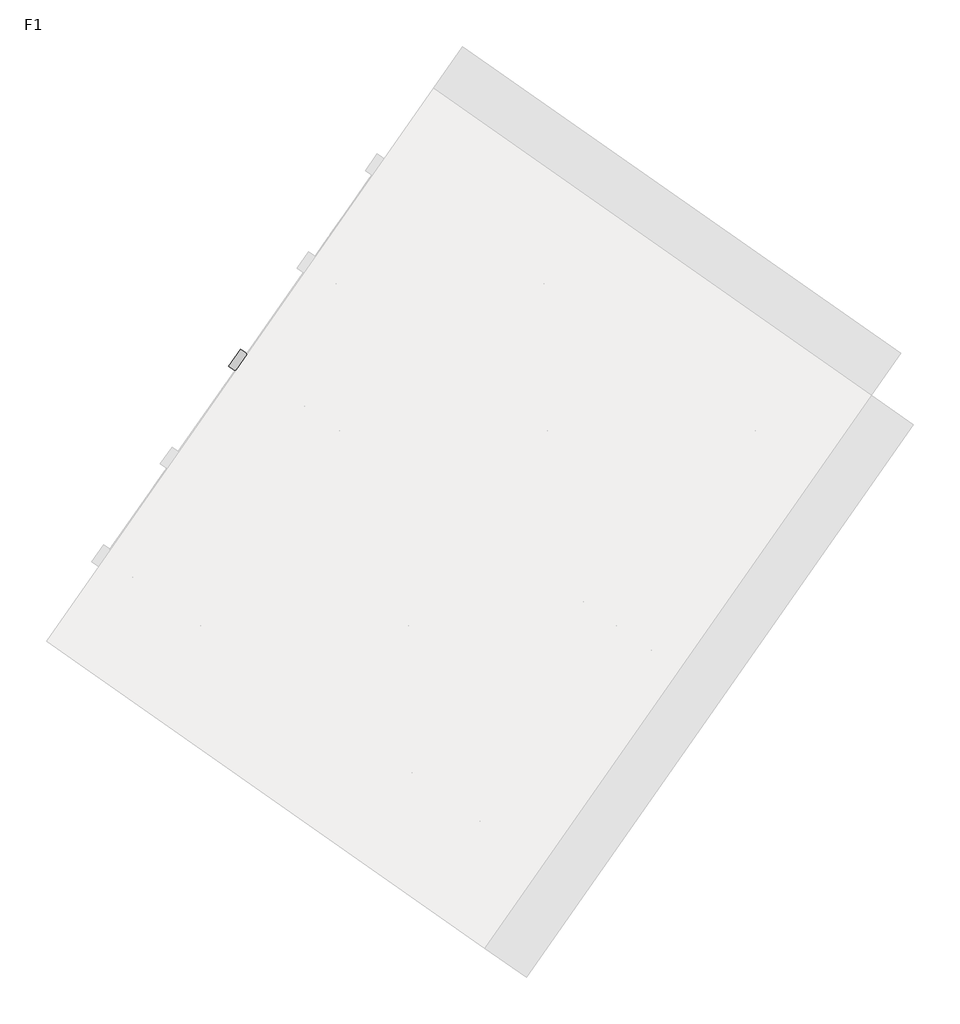
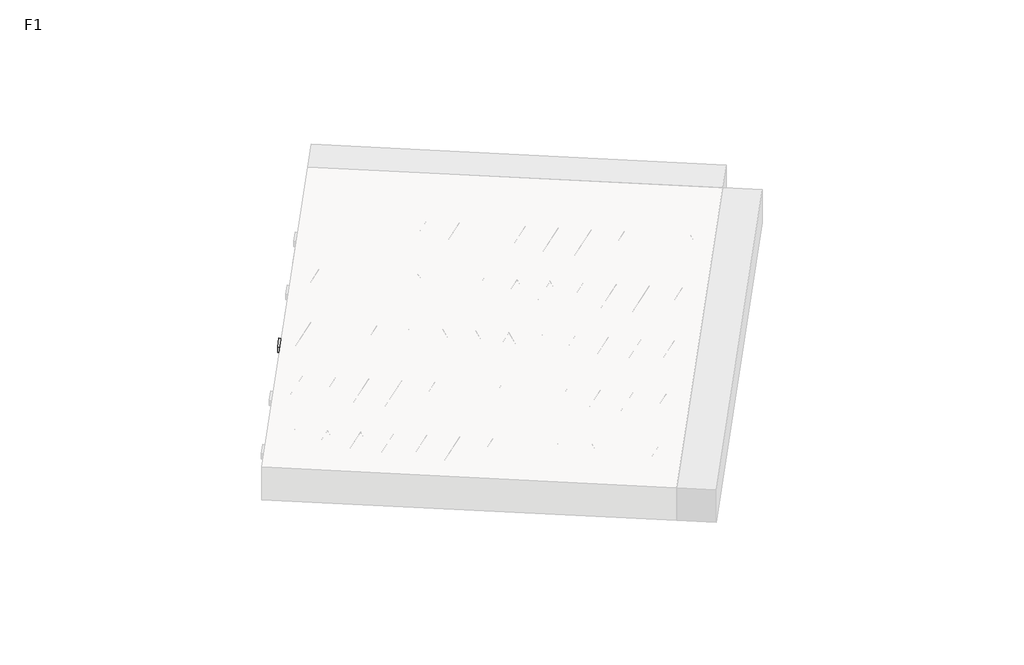
# One storey, part 22 of 30: 2 beams.
"""IFC4 building model written with IfcOpenShell, lengths in millimetres."""

import ifcopenshell
import ifcopenshell.guid

model = None  # the IFC model being written
_history = None  # IfcOwnerHistory: only IFC2X3 demands one
_inside = {}  # id of a spatial element -> (the spatial element, [elements in it])
_under = {}  # id of a project, library or spatial element -> (it, [spatial elements below it])
_declared = {}  # id of a project -> (the project, [libraries it declares])
_typed = {}  # id of a type object -> (the type object, [elements of that type])
_made_of = {}  # id of a material, layer set ... -> (it, [elements and type objects made of it])


def new_model(schema):
    """Start an empty IFC model of exactly this schema.

    Asked for "IFC4X3", IfcOpenShell would pick the latest addendum, in which some entities
    have other attributes; the version numbers below select the first issue.
    IFC2X3 requires an IfcOwnerHistory on every rooted entity: one is made here for all.
    """
    global model, _history
    if schema == "IFC4X3":
        model = ifcopenshell.file(schema_version=(4, 3, 0, 0))
    else:
        model = ifcopenshell.file(schema=schema)
    _inside.clear()
    _under.clear()
    _declared.clear()
    _typed.clear()
    _made_of.clear()
    _history = None
    if model.schema == "IFC2X3":
        org = make("IfcOrganization", Name="unknown")
        user = make(
            "IfcPersonAndOrganization",
            ThePerson=make("IfcPerson", FamilyName="unknown"),
            TheOrganization=org,
        )
        app = make(
            "IfcApplication",
            ApplicationDeveloper=org,
            Version="unknown",
            ApplicationFullName="unknown",
            ApplicationIdentifier="unknown",
        )
        _history = make(
            "IfcOwnerHistory",
            OwningUser=user,
            OwningApplication=app,
            ChangeAction="ADDED",
            CreationDate=0,
        )
    return model


def make(cls, **values):
    """One entity of the class cls with the attributes given. An attribute that is None is left unset."""
    return model.create_entity(
        cls, **{name: value for name, value in values.items() if value is not None}
    )


def rooted(cls, **values):
    """An entity with a GlobalId (a new one), such as an element, a storey or a relation."""
    return make(cls, GlobalId=ifcopenshell.guid.new(), OwnerHistory=_history, **values)


def si_unit(unit_type, name, prefix=None):
    """IfcSIUnit, for example si_unit("LENGTHUNIT", "METRE", prefix="MILLI")."""
    return make("IfcSIUnit", UnitType=unit_type, Prefix=prefix, Name=name)


def assignment(units):
    """IfcUnitAssignment: the units of a project."""
    return None if units is None else make("IfcUnitAssignment", Units=units)


def point(xyz):
    """IfcCartesianPoint."""
    return None if xyz is None else make("IfcCartesianPoint", Coordinates=xyz)


def direction(xyz):
    """IfcDirection."""
    return None if xyz is None else make("IfcDirection", DirectionRatios=xyz)


def frame(location, z_axis=None, x_axis=None):
    """IfcAxis2Placement3D, a coordinate frame: its origin and axes. An axis left out is left unset."""
    return make(
        "IfcAxis2Placement3D",
        Location=point(location),
        Axis=direction(z_axis),
        RefDirection=direction(x_axis),
    )


def frame_2d(location, x_axis=None):
    """IfcAxis2Placement2D, a coordinate frame in the plane: its origin and x axis."""
    return make(
        "IfcAxis2Placement2D", Location=point(location), RefDirection=direction(x_axis)
    )


def origin():
    """The frame at (0, 0, 0) with its axes left unset."""
    return frame((0.0, 0.0, 0.0))


def origin_2d():
    """The frame at (0, 0) in the plane with its x axis left unset."""
    return frame_2d((0.0, 0.0))


def place(relative_to, where):
    """IfcLocalPlacement: puts the frame where relative to a parent placement (None: the world)."""
    return make(
        "IfcLocalPlacement", PlacementRelTo=relative_to, RelativePlacement=where
    )


def context(
    kind, dimensions, precision=None, world=None, true_north=None, identifier=None
):
    """IfcGeometricRepresentationContext, for example the 3D "Model" context."""
    return make(
        "IfcGeometricRepresentationContext",
        ContextIdentifier=identifier,
        ContextType=kind,
        CoordinateSpaceDimension=dimensions,
        Precision=precision,
        WorldCoordinateSystem=world,
        TrueNorth=true_north,
    )


def project(units=None, contexts=None):
    """IfcProject with its units and contexts."""
    return rooted(
        "IfcProject",
        Name="project",
        RepresentationContexts=contexts,
        UnitsInContext=assignment(units),
    )


def spatial(cls, under=None, at=None, **own):
    """A site, building, storey or space (cls), placed at a placement, below another one or the project."""
    s = rooted(cls, ObjectPlacement=at, **own)
    if under is not None:
        _under.setdefault(under.id(), (under, []))[1].append(s)
    return s


def polyline(points):
    """IfcPolyline through the points."""
    return make("IfcPolyline", Points=[point(p) for p in points])


def circle_curve(where, radius):
    """IfcCircle in the frame where."""
    return make("IfcCircle", Position=where, Radius=radius)


def trimmed(basis, trim1, trim2, sense, master):
    """IfcTrimmedCurve: the piece of a basis curve between two trims."""
    return make(
        "IfcTrimmedCurve",
        BasisCurve=basis,
        Trim1=trim1,
        Trim2=trim2,
        SenseAgreement=sense,
        MasterRepresentation=master,
    )


def segment(curve, same_sense, transition):
    """IfcCompositeCurveSegment."""
    return make(
        "IfcCompositeCurveSegment",
        Transition=transition,
        SameSense=same_sense,
        ParentCurve=curve,
    )


def composite_curve(segments, self_intersect=None):
    """IfcCompositeCurve: segments joined end to end."""
    return make("IfcCompositeCurve", Segments=segments, SelfIntersect=self_intersect)


def outline(outer, holes=None, kind="AREA"):
    """IfcArbitraryClosedProfileDef: a profile drawn as a closed curve; with holes, ...WithVoids."""
    if holes is None:
        return make("IfcArbitraryClosedProfileDef", ProfileType=kind, OuterCurve=outer)
    return make(
        "IfcArbitraryProfileDefWithVoids",
        ProfileType=kind,
        OuterCurve=outer,
        InnerCurves=holes,
    )


def extrude(swept, where, along, depth):
    """IfcExtrudedAreaSolid: the profile swept, set in the frame where, extruded along a direction by depth."""
    return make(
        "IfcExtrudedAreaSolid",
        SweptArea=swept,
        Position=where,
        ExtrudedDirection=direction(along),
        Depth=depth,
    )


def shape(context_of_items, identifier, shape_type, items):
    """IfcShapeRepresentation: the items that make up one representation, for example the "Body"."""
    return make(
        "IfcShapeRepresentation",
        ContextOfItems=context_of_items,
        RepresentationIdentifier=identifier,
        RepresentationType=shape_type,
        Items=items,
    )


def made_of(thing, what):
    """Note that an element or type object is made of a material, layer set ...; save() writes the relation."""
    if what is not None:
        _made_of.setdefault(what.id(), (what, []))[1].append(thing)
    return thing


def element(
    cls,
    number,
    at=None,
    inside=None,
    cuts=None,
    type_object=None,
    material=None,
    context=None,
    identifier="Body",
    shape_type=None,
    held_by="IfcProductDefinitionShape",
    body=None,
    shapes=None,
    **own,
):
    """One element of the class cls, such as IfcWall. Its Tag is "e" and its number.

    at: its placement. inside: the storey or other place that contains it. cuts: it is an
    opening in that element (IfcRelVoidsElement). A single representation is given by context,
    identifier, shape_type and body (its items); several are given by shapes. held_by: the class
    of the entity that holds the representations. save() writes the other relations.
    """
    e = rooted(cls, Tag="e%d" % number, ObjectPlacement=at, **own)
    if body is not None:
        shapes = [shape(context, identifier, shape_type, body)]
    if shapes is not None:
        e.Representation = make(held_by, Representations=shapes)
    if inside is not None:
        _inside.setdefault(inside.id(), (inside, []))[1].append(e)
    if cuts is not None:
        rooted(
            "IfcRelVoidsElement", RelatingBuildingElement=cuts, RelatedOpeningElement=e
        )
    if type_object is not None:
        _typed.setdefault(type_object.id(), (type_object, []))[1].append(e)
    return made_of(e, material)


def aggregate(whole, parts):
    """IfcRelAggregates: a whole, such as a stair, and the parts it consists of."""
    return rooted("IfcRelAggregates", RelatingObject=whole, RelatedObjects=parts)


def save(model, path):
    """Write the relations noted so far, then the file.

    IfcRelAggregates (storeys below a building ...), IfcRelContainedInSpatialStructure (elements
    in a storey), IfcRelDefinesByType, IfcRelAssociatesMaterial and IfcRelDeclares: one each for
    every whole, place, type object, material and project.
    """
    for whole, parts in _under.values():
        aggregate(whole, parts)
    for where, things in _inside.values():
        rooted(
            "IfcRelContainedInSpatialStructure",
            RelatedElements=things,
            RelatingStructure=where,
        )
    for kind, things in _typed.values():
        rooted("IfcRelDefinesByType", RelatedObjects=things, RelatingType=kind)
    for what, things in _made_of.values():
        rooted("IfcRelAssociatesMaterial", RelatedObjects=things, RelatingMaterial=what)
    for by, libraries in _declared.values():
        rooted("IfcRelDeclares", RelatingContext=by, RelatedDefinitions=libraries)
    model.write(path)


model = new_model("IFC4")

# Units and contexts
model_context = context("Model", 3, world=origin())
ifc_project = project(units=[si_unit("LENGTHUNIT", "METRE", prefix="MILLI")], contexts=[model_context])

# Site, building, storey
site = spatial("IfcSite", under=ifc_project)
building = spatial("IfcBuilding", under=site)
storey = spatial("IfcBuildingStorey", under=building, Name="F1", Elevation=99520.0)

# Beams
placement = place(None, origin())
element("IfcBeam", 1, at=placement, inside=storey, context=model_context, shape_type="SweptSolid", body=[
    extrude(outline(polyline([(10845.0607256, 5334.5541275), (10913.8898979, 5432.8523728), (13567.9425214, 3574.464719), (13499.113349, 3476.1664737), (10845.0607256, 5334.5541275)])), frame((0.0, 0.0, 99720.0), z_axis=(0.0, 0.0, 1.0), x_axis=(1.0, 0.0, 0.0)), (0.0, 0.0, 1.0), 50.0),
    extrude(outline(composite_curve([segment(trimmed(circle_curve(origin_2d(), 2.5), [point((-2.5, 0.0))], [point((2.5, 0.0))], False, "CARTESIAN"), True, "CONTINUOUS"), segment(trimmed(circle_curve(origin_2d(), 2.5), [point((2.5, 0.0))], [point((-2.5, 0.0))], False, "CARTESIAN"), True, "CONTINUOUS")], self_intersect=False)), frame((13493.2195344, 3509.5919572, 99745.0), z_axis=(-0.8191520442696126, 0.5735764363787226, 0.0), x_axis=(0.5735764363787226, 0.8191520442696126, 0.0)), (0.0, 0.0, 1.0), 3192.0),
    extrude(outline(composite_curve([segment(trimmed(circle_curve(origin_2d(), 2.5), [point((-2.4999999, 0.0))], [point((2.5, 0.0))], False, "CARTESIAN"), True, "CONTINUOUS"), segment(trimmed(circle_curve(origin_2d(), 2.5), [point((2.5, 0.0))], [point((-2.4999999, 0.0))], False, "CARTESIAN"), True, "CONTINUOUS")], self_intersect=False)), frame((13373.7932865, 3637.1630014, 99970.0), z_axis=(-0.8191520442696126, 0.5735764363787226, 0.0), x_axis=(0.5735764363787226, 0.8191520442696126, 0.0)), (0.0, 0.0, 1.0), 2850.0),
    extrude(outline(composite_curve([segment(trimmed(circle_curve(origin_2d(), 2.5), [point((-2.5000001, 1e-07))], [point((2.5, 0.0))], False, "CARTESIAN"), True, "CONTINUOUS"), segment(trimmed(circle_curve(origin_2d(), 2.5), [point((2.5, 0.0))], [point((-2.5000001, 1e-07))], False, "CARTESIAN"), True, "CONTINUOUS")], self_intersect=False)), frame((13414.5809382, 3564.6552951, 99745.0), z_axis=(-0.3145304735701046, 0.38933448886848654, 0.8657304643902053), x_axis=(0.7778747638402499, 0.6284193279813057, 0.0)), (0.0, 0.0, 1.0), 259.8961331),
    extrude(outline(composite_curve([segment(trimmed(circle_curve(origin_2d(), 2.5), [point((2.5, 0.0))], [point((-2.5, 0.0))], False, "CARTESIAN"), True, "CONTINUOUS"), segment(trimmed(circle_curve(origin_2d(), 2.5), [point((-2.5, 0.0))], [point((2.5, 0.0))], False, "CARTESIAN"), True, "CONTINUOUS")], self_intersect=False)), frame((13209.7929271, 3708.0494042, 99745.0), z_axis=(0.47343050384693375, -0.16240172737369005, 0.8657304643902051), x_axis=(-0.3244721671091268, -0.9458952440791246, 0.0)), (0.0, 0.0, 1.0), 259.8961331),
    extrude(outline(composite_curve([segment(trimmed(circle_curve(origin_2d(), 2.5), [point((-2.5, 0.0))], [point((2.5, 0.0))], False, "CARTESIAN"), True, "CONTINUOUS"), segment(trimmed(circle_curve(origin_2d(), 2.5), [point((2.5, 0.0))], [point((-2.5, 0.0))], False, "CARTESIAN"), True, "CONTINUOUS")], self_intersect=False)), frame((13209.7929271, 3708.0494042, 99745.0), z_axis=(-0.3145304735701046, 0.38933448886848654, 0.8657304643902053), x_axis=(0.7778747638402499, 0.6284193279813057, 0.0)), (0.0, 0.0, 1.0), 259.8961331),
    extrude(outline(composite_curve([segment(trimmed(circle_curve(origin_2d(), 2.5), [point((2.5, 0.0))], [point((-2.5, 0.0))], False, "CARTESIAN"), True, "CONTINUOUS"), segment(trimmed(circle_curve(origin_2d(), 2.5), [point((-2.5, 0.0))], [point((2.5, 0.0))], False, "CARTESIAN"), True, "CONTINUOUS")], self_intersect=False)), frame((13005.004916, 3851.4435133, 99745.0), z_axis=(0.47343050384693375, -0.16240172737369005, 0.8657304643902051), x_axis=(-0.3244721671091268, -0.9458952440791246, 0.0)), (0.0, 0.0, 1.0), 259.8961331),
    extrude(outline(composite_curve([segment(trimmed(circle_curve(origin_2d(), 2.5), [point((-2.5, 0.0))], [point((2.5, 0.0))], False, "CARTESIAN"), True, "CONTINUOUS"), segment(trimmed(circle_curve(origin_2d(), 2.5), [point((2.5, 0.0))], [point((-2.5, 0.0))], False, "CARTESIAN"), True, "CONTINUOUS")], self_intersect=False)), frame((13005.004916, 3851.4435133, 99745.0), z_axis=(-0.3145304735701046, 0.38933448886848654, 0.8657304643902053), x_axis=(0.7778747638402499, 0.6284193279813057, 0.0)), (0.0, 0.0, 1.0), 259.8961331),
    extrude(outline(composite_curve([segment(trimmed(circle_curve(origin_2d(), 2.5), [point((2.5, -1e-07))], [point((-2.5, 0.0))], False, "CARTESIAN"), True, "CONTINUOUS"), segment(trimmed(circle_curve(origin_2d(), 2.5), [point((-2.5, 0.0))], [point((2.5, -1e-07))], False, "CARTESIAN"), True, "CONTINUOUS")], self_intersect=False)), frame((12800.216905, 3994.8376224, 99745.0), z_axis=(0.47343050384693375, -0.16240172737369005, 0.8657304643902051), x_axis=(-0.3244721671091268, -0.9458952440791246, 0.0)), (0.0, 0.0, 1.0), 259.8961331),
    extrude(outline(composite_curve([segment(trimmed(circle_curve(origin_2d(), 2.5), [point((-2.5000001, 0.0))], [point((2.5, 0.0))], False, "CARTESIAN"), True, "CONTINUOUS"), segment(trimmed(circle_curve(origin_2d(), 2.5), [point((2.5, 0.0))], [point((-2.5000001, 0.0))], False, "CARTESIAN"), True, "CONTINUOUS")], self_intersect=False)), frame((12800.216905, 3994.8376224, 99745.0), z_axis=(-0.3145304735701046, 0.38933448886848654, 0.8657304643902053), x_axis=(0.7778747638402499, 0.6284193279813057, 0.0)), (0.0, 0.0, 1.0), 259.8961331),
    extrude(outline(composite_curve([segment(trimmed(circle_curve(origin_2d(), 2.5), [point((2.5, 0.0))], [point((-2.5, 0.0))], False, "CARTESIAN"), True, "CONTINUOUS"), segment(trimmed(circle_curve(origin_2d(), 2.5), [point((-2.5, 0.0))], [point((2.5, 0.0))], False, "CARTESIAN"), True, "CONTINUOUS")], self_intersect=False)), frame((12595.4288939, 4138.2317315, 99745.0), z_axis=(0.47343050384693375, -0.16240172737369005, 0.8657304643902051), x_axis=(-0.3244721671091268, -0.9458952440791246, 0.0)), (0.0, 0.0, 1.0), 259.8961331),
    extrude(outline(composite_curve([segment(trimmed(circle_curve(origin_2d(), 2.5), [point((-2.5, -1e-07))], [point((2.5, 0.0))], False, "CARTESIAN"), True, "CONTINUOUS"), segment(trimmed(circle_curve(origin_2d(), 2.5), [point((2.5, 0.0))], [point((-2.5, -1e-07))], False, "CARTESIAN"), True, "CONTINUOUS")], self_intersect=False)), frame((12595.4288939, 4138.2317315, 99745.0), z_axis=(-0.3145304735701046, 0.38933448886848654, 0.8657304643902053), x_axis=(0.7778747638402499, 0.6284193279813057, 0.0)), (0.0, 0.0, 1.0), 259.8961331),
    extrude(outline(composite_curve([segment(trimmed(circle_curve(origin_2d(), 2.5), [point((2.5000001, 0.0))], [point((-2.5, 0.0))], False, "CARTESIAN"), True, "CONTINUOUS"), segment(trimmed(circle_curve(origin_2d(), 2.5), [point((-2.5, 0.0))], [point((2.5000001, 0.0))], False, "CARTESIAN"), True, "CONTINUOUS")], self_intersect=False)), frame((12390.6408828, 4281.6258406, 99745.0), z_axis=(0.47343050384693375, -0.16240172737369005, 0.8657304643902051), x_axis=(-0.3244721671091268, -0.9458952440791246, 0.0)), (0.0, 0.0, 1.0), 259.8961331),
    extrude(outline(composite_curve([segment(trimmed(circle_curve(origin_2d(), 2.5), [point((-2.5, -1e-07))], [point((2.5, 0.0))], False, "CARTESIAN"), True, "CONTINUOUS"), segment(trimmed(circle_curve(origin_2d(), 2.5), [point((2.5, 0.0))], [point((-2.5, -1e-07))], False, "CARTESIAN"), True, "CONTINUOUS")], self_intersect=False)), frame((12390.6408828, 4281.6258406, 99745.0), z_axis=(-0.3145304735701046, 0.38933448886848654, 0.8657304643902053), x_axis=(0.7778747638402499, 0.6284193279813057, 0.0)), (0.0, 0.0, 1.0), 259.8961331),
    extrude(outline(composite_curve([segment(trimmed(circle_curve(origin_2d(), 2.5), [point((2.5000001, 0.0))], [point((-2.5, 0.0))], False, "CARTESIAN"), True, "CONTINUOUS"), segment(trimmed(circle_curve(origin_2d(), 2.5), [point((-2.5, 0.0))], [point((2.5000001, 0.0))], False, "CARTESIAN"), True, "CONTINUOUS")], self_intersect=False)), frame((12185.8528718, 4425.0199497, 99745.0), z_axis=(0.47343050384693375, -0.16240172737369005, 0.8657304643902051), x_axis=(-0.3244721671091268, -0.9458952440791246, 0.0)), (0.0, 0.0, 1.0), 259.8961331),
    extrude(outline(composite_curve([segment(trimmed(circle_curve(origin_2d(), 2.5), [point((-2.5, -1e-07))], [point((2.5000001, -1e-07))], False, "CARTESIAN"), True, "CONTINUOUS"), segment(trimmed(circle_curve(origin_2d(), 2.5), [point((2.5000001, -1e-07))], [point((-2.5, -1e-07))], False, "CARTESIAN"), True, "CONTINUOUS")], self_intersect=False)), frame((12185.8528717, 4425.0199497, 99745.0), z_axis=(-0.3145304735701046, 0.38933448886848654, 0.8657304643902053), x_axis=(0.7778747638402499, 0.6284193279813057, 0.0)), (0.0, 0.0, 1.0), 259.8961331),
    extrude(outline(composite_curve([segment(trimmed(circle_curve(origin_2d(), 2.5), [point((2.5, 0.0))], [point((-2.5000001, 0.0))], False, "CARTESIAN"), True, "CONTINUOUS"), segment(trimmed(circle_curve(origin_2d(), 2.5), [point((-2.5000001, 0.0))], [point((2.5, 0.0))], False, "CARTESIAN"), True, "CONTINUOUS")], self_intersect=False)), frame((11981.0648607, 4568.4140587, 99745.0), z_axis=(0.47343050384693375, -0.16240172737369005, 0.8657304643902051), x_axis=(-0.3244721671091268, -0.9458952440791246, 0.0)), (0.0, 0.0, 1.0), 259.8961331),
    extrude(outline(composite_curve([segment(trimmed(circle_curve(origin_2d(), 2.5), [point((-2.5, 0.0))], [point((2.5, 1e-07))], False, "CARTESIAN"), True, "CONTINUOUS"), segment(trimmed(circle_curve(origin_2d(), 2.5), [point((2.5, 1e-07))], [point((-2.5, 0.0))], False, "CARTESIAN"), True, "CONTINUOUS")], self_intersect=False)), frame((11981.0648607, 4568.4140587, 99745.0), z_axis=(-0.3145304735701046, 0.38933448886848654, 0.8657304643902053), x_axis=(0.7778747638402499, 0.6284193279813057, 0.0)), (0.0, 0.0, 1.0), 259.8961331),
    extrude(outline(composite_curve([segment(trimmed(circle_curve(origin_2d(), 2.5), [point((2.5, 0.0))], [point((-2.5, 0.0))], False, "CARTESIAN"), True, "CONTINUOUS"), segment(trimmed(circle_curve(origin_2d(), 2.5), [point((-2.5, 0.0))], [point((2.5, 0.0))], False, "CARTESIAN"), True, "CONTINUOUS")], self_intersect=False)), frame((11776.2768496, 4711.8081678, 99745.0), z_axis=(0.47343050384693375, -0.16240172737369005, 0.8657304643902051), x_axis=(-0.3244721671091268, -0.9458952440791246, 0.0)), (0.0, 0.0, 1.0), 259.8961331),
    extrude(outline(composite_curve([segment(trimmed(circle_curve(origin_2d(), 2.5), [point((-2.5, 0.0))], [point((2.5, 1e-07))], False, "CARTESIAN"), True, "CONTINUOUS"), segment(trimmed(circle_curve(origin_2d(), 2.5), [point((2.5, 1e-07))], [point((-2.5, 0.0))], False, "CARTESIAN"), True, "CONTINUOUS")], self_intersect=False)), frame((11776.2768496, 4711.8081678, 99745.0), z_axis=(-0.3145304735701046, 0.38933448886848654, 0.8657304643902053), x_axis=(0.7778747638402499, 0.6284193279813057, 0.0)), (0.0, 0.0, 1.0), 259.8961331),
    extrude(outline(composite_curve([segment(trimmed(circle_curve(origin_2d(), 2.5), [point((2.5, 0.0))], [point((-2.5, 1e-07))], False, "CARTESIAN"), True, "CONTINUOUS"), segment(trimmed(circle_curve(origin_2d(), 2.5), [point((-2.5, 1e-07))], [point((2.5, 0.0))], False, "CARTESIAN"), True, "CONTINUOUS")], self_intersect=False)), frame((11571.4888385, 4855.2022769, 99745.0), z_axis=(0.47343050384693375, -0.16240172737369005, 0.8657304643902051), x_axis=(-0.3244721671091268, -0.9458952440791246, 0.0)), (0.0, 0.0, 1.0), 259.8961331),
    extrude(outline(composite_curve([segment(trimmed(circle_curve(origin_2d(), 2.5), [point((-2.5, 0.0))], [point((2.5000001, 0.0))], False, "CARTESIAN"), True, "CONTINUOUS"), segment(trimmed(circle_curve(origin_2d(), 2.5), [point((2.5000001, 0.0))], [point((-2.5, 0.0))], False, "CARTESIAN"), True, "CONTINUOUS")], self_intersect=False)), frame((11571.4888385, 4855.2022769, 99745.0), z_axis=(-0.3145304735701046, 0.38933448886848654, 0.8657304643902053), x_axis=(0.7778747638402499, 0.6284193279813057, 0.0)), (0.0, 0.0, 1.0), 259.8961331),
    extrude(outline(composite_curve([segment(trimmed(circle_curve(origin_2d(), 2.5), [point((2.5, 0.0))], [point((-2.5, 0.0))], False, "CARTESIAN"), True, "CONTINUOUS"), segment(trimmed(circle_curve(origin_2d(), 2.5), [point((-2.5, 0.0))], [point((2.5, 0.0))], False, "CARTESIAN"), True, "CONTINUOUS")], self_intersect=False)), frame((11366.7008275, 4998.596386, 99745.0), z_axis=(0.47343050384693375, -0.16240172737369005, 0.8657304643902051), x_axis=(-0.3244721671091268, -0.9458952440791246, 0.0)), (0.0, 0.0, 1.0), 259.8961331),
    extrude(outline(composite_curve([segment(trimmed(circle_curve(origin_2d(), 2.5), [point((-2.5, 0.0))], [point((2.5, 0.0))], False, "CARTESIAN"), True, "CONTINUOUS"), segment(trimmed(circle_curve(origin_2d(), 2.5), [point((2.5, 0.0))], [point((-2.5, 0.0))], False, "CARTESIAN"), True, "CONTINUOUS")], self_intersect=False)), frame((11366.7008275, 4998.596386, 99745.0), z_axis=(-0.3145304735701046, 0.38933448886848654, 0.8657304643902053), x_axis=(0.7778747638402499, 0.6284193279813057, 0.0)), (0.0, 0.0, 1.0), 259.8961331),
    extrude(outline(composite_curve([segment(trimmed(circle_curve(origin_2d(), 2.5), [point((2.5, 0.0))], [point((-2.5, 0.0))], False, "CARTESIAN"), True, "CONTINUOUS"), segment(trimmed(circle_curve(origin_2d(), 2.5), [point((-2.5, 0.0))], [point((2.5, 0.0))], False, "CARTESIAN"), True, "CONTINUOUS")], self_intersect=False)), frame((11161.9128164, 5141.9904951, 99745.0), z_axis=(0.47343050384693375, -0.16240172737369005, 0.8657304643902051), x_axis=(-0.3244721671091268, -0.9458952440791246, 0.0)), (0.0, 0.0, 1.0), 259.8961331),
    extrude(outline(composite_curve([segment(trimmed(circle_curve(origin_2d(), 2.5), [point((-2.5, 0.0))], [point((2.5, 0.0))], False, "CARTESIAN"), True, "CONTINUOUS"), segment(trimmed(circle_curve(origin_2d(), 2.5), [point((2.5, 0.0))], [point((-2.5, 0.0))], False, "CARTESIAN"), True, "CONTINUOUS")], self_intersect=False)), frame((11161.9128164, 5141.9904951, 99745.0), z_axis=(-0.3145304735701046, 0.38933448886848654, 0.8657304643902053), x_axis=(0.7778747638402499, 0.6284193279813057, 0.0)), (0.0, 0.0, 1.0), 259.8961331),
    extrude(outline(composite_curve([segment(trimmed(circle_curve(origin_2d(), 2.5), [point((2.5, 0.0))], [point((-2.5, 1e-07))], False, "CARTESIAN"), True, "CONTINUOUS"), segment(trimmed(circle_curve(origin_2d(), 2.5), [point((-2.5, 1e-07))], [point((2.5, 0.0))], False, "CARTESIAN"), True, "CONTINUOUS")], self_intersect=False)), frame((10957.1248053, 5285.3846042, 99745.0), z_axis=(0.47343050384693375, -0.16240172737369005, 0.8657304643902051), x_axis=(-0.3244721671091268, -0.9458952440791246, 0.0)), (0.0, 0.0, 1.0), 259.8961331),
    extrude(outline(composite_curve([segment(trimmed(circle_curve(origin_2d(), 2.5), [point((-2.5, 0.0))], [point((2.5, 0.0))], False, "CARTESIAN"), True, "CONTINUOUS"), segment(trimmed(circle_curve(origin_2d(), 2.5), [point((2.5, 0.0))], [point((-2.5, 0.0))], False, "CARTESIAN"), True, "CONTINUOUS")], self_intersect=False)), frame((13534.5170378, 3568.5709044, 99745.0), z_axis=(-0.8191520442696126, 0.5735764363787226, 0.0), x_axis=(0.5735764363787226, 0.8191520442696126, 0.0)), (0.0, 0.0, 1.0), 3192.0),
    extrude(outline(composite_curve([segment(trimmed(circle_curve(origin_2d(), 2.5), [point((-2.5, 0.0))], [point((2.5, 0.0))], False, "CARTESIAN"), True, "CONTINUOUS"), segment(trimmed(circle_curve(origin_2d(), 2.5), [point((2.5, 0.0))], [point((-2.5, 0.0))], False, "CARTESIAN"), True, "CONTINUOUS")], self_intersect=False)), frame((13455.8784416, 3623.6342423, 99745.0), z_axis=(-0.47343050384693375, 0.16240172737369005, 0.8657304643902051), x_axis=(0.3244721671091268, 0.9458952440791246, 0.0)), (0.0, 0.0, 1.0), 259.8961331),
    extrude(outline(composite_curve([segment(trimmed(circle_curve(origin_2d(), 2.5), [point((2.5, 1e-07))], [point((-2.5, 0.0))], False, "CARTESIAN"), True, "CONTINUOUS"), segment(trimmed(circle_curve(origin_2d(), 2.5), [point((-2.5, 0.0))], [point((2.5, 1e-07))], False, "CARTESIAN"), True, "CONTINUOUS")], self_intersect=False)), frame((13251.0904305, 3767.0283514, 99745.0), z_axis=(0.3145304735701046, -0.38933448886848654, 0.8657304643902053), x_axis=(-0.7778747638402499, -0.6284193279813057, 0.0)), (0.0, 0.0, 1.0), 259.8961331),
    extrude(outline(composite_curve([segment(trimmed(circle_curve(origin_2d(), 2.5), [point((-2.5, 0.0))], [point((2.5, 0.0))], False, "CARTESIAN"), True, "CONTINUOUS"), segment(trimmed(circle_curve(origin_2d(), 2.5), [point((2.5, 0.0))], [point((-2.5, 0.0))], False, "CARTESIAN"), True, "CONTINUOUS")], self_intersect=False)), frame((13251.0904305, 3767.0283514, 99745.0), z_axis=(-0.47343050384693375, 0.16240172737369005, 0.8657304643902051), x_axis=(0.3244721671091268, 0.9458952440791246, 0.0)), (0.0, 0.0, 1.0), 259.8961331),
    extrude(outline(composite_curve([segment(trimmed(circle_curve(origin_2d(), 2.5), [point((2.5, 1e-07))], [point((-2.5, 0.0))], False, "CARTESIAN"), True, "CONTINUOUS"), segment(trimmed(circle_curve(origin_2d(), 2.5), [point((-2.5, 0.0))], [point((2.5, 1e-07))], False, "CARTESIAN"), True, "CONTINUOUS")], self_intersect=False)), frame((13046.3024194, 3910.4224605, 99745.0), z_axis=(0.3145304735701046, -0.38933448886848654, 0.8657304643902053), x_axis=(-0.7778747638402499, -0.6284193279813057, 0.0)), (0.0, 0.0, 1.0), 259.8961331),
    extrude(outline(composite_curve([segment(trimmed(circle_curve(origin_2d(), 2.5), [point((-2.5000001, 0.0))], [point((2.5, -1e-07))], False, "CARTESIAN"), True, "CONTINUOUS"), segment(trimmed(circle_curve(origin_2d(), 2.5), [point((2.5, -1e-07))], [point((-2.5000001, 0.0))], False, "CARTESIAN"), True, "CONTINUOUS")], self_intersect=False)), frame((13046.3024194, 3910.4224605, 99745.0), z_axis=(-0.47343050384693375, 0.16240172737369005, 0.8657304643902051), x_axis=(0.3244721671091268, 0.9458952440791246, 0.0)), (0.0, 0.0, 1.0), 259.8961331),
    extrude(outline(composite_curve([segment(trimmed(circle_curve(origin_2d(), 2.5), [point((2.5, 1e-07))], [point((-2.5, 0.0))], False, "CARTESIAN"), True, "CONTINUOUS"), segment(trimmed(circle_curve(origin_2d(), 2.5), [point((-2.5, 0.0))], [point((2.5, 1e-07))], False, "CARTESIAN"), True, "CONTINUOUS")], self_intersect=False)), frame((12841.5144084, 4053.8165696, 99745.0), z_axis=(0.3145304735701046, -0.38933448886848654, 0.8657304643902053), x_axis=(-0.7778747638402499, -0.6284193279813057, 0.0)), (0.0, 0.0, 1.0), 259.8961331),
    extrude(outline(composite_curve([segment(trimmed(circle_curve(origin_2d(), 2.5), [point((-2.5000001, 0.0))], [point((2.5, 0.0))], False, "CARTESIAN"), True, "CONTINUOUS"), segment(trimmed(circle_curve(origin_2d(), 2.5), [point((2.5, 0.0))], [point((-2.5000001, 0.0))], False, "CARTESIAN"), True, "CONTINUOUS")], self_intersect=False)), frame((12841.5144084, 4053.8165696, 99745.0), z_axis=(-0.47343050384693375, 0.16240172737369005, 0.8657304643902051), x_axis=(0.3244721671091268, 0.9458952440791246, 0.0)), (0.0, 0.0, 1.0), 259.8961331),
    extrude(outline(composite_curve([segment(trimmed(circle_curve(origin_2d(), 2.5), [point((2.5, 0.0))], [point((-2.5, -1e-07))], False, "CARTESIAN"), True, "CONTINUOUS"), segment(trimmed(circle_curve(origin_2d(), 2.5), [point((-2.5, -1e-07))], [point((2.5, 0.0))], False, "CARTESIAN"), True, "CONTINUOUS")], self_intersect=False)), frame((12636.7263973, 4197.2106786, 99745.0), z_axis=(0.3145304735701046, -0.38933448886848654, 0.8657304643902053), x_axis=(-0.7778747638402499, -0.6284193279813057, 0.0)), (0.0, 0.0, 1.0), 259.8961331),
    extrude(outline(composite_curve([segment(trimmed(circle_curve(origin_2d(), 2.5), [point((-2.5, 0.0))], [point((2.5000001, 0.0))], False, "CARTESIAN"), True, "CONTINUOUS"), segment(trimmed(circle_curve(origin_2d(), 2.5), [point((2.5000001, 0.0))], [point((-2.5, 0.0))], False, "CARTESIAN"), True, "CONTINUOUS")], self_intersect=False)), frame((12636.7263973, 4197.2106786, 99745.0), z_axis=(-0.47343050384693375, 0.16240172737369005, 0.8657304643902051), x_axis=(0.3244721671091268, 0.9458952440791246, 0.0)), (0.0, 0.0, 1.0), 259.8961331),
    extrude(outline(composite_curve([segment(trimmed(circle_curve(origin_2d(), 2.5), [point((2.5, 0.0))], [point((-2.5, -1e-07))], False, "CARTESIAN"), True, "CONTINUOUS"), segment(trimmed(circle_curve(origin_2d(), 2.5), [point((-2.5, -1e-07))], [point((2.5, 0.0))], False, "CARTESIAN"), True, "CONTINUOUS")], self_intersect=False)), frame((12431.9383862, 4340.6047877, 99745.0), z_axis=(0.3145304735701046, -0.38933448886848654, 0.8657304643902053), x_axis=(-0.7778747638402499, -0.6284193279813057, 0.0)), (0.0, 0.0, 1.0), 259.8961331),
    extrude(outline(composite_curve([segment(trimmed(circle_curve(origin_2d(), 2.5), [point((-2.5, 0.0))], [point((2.5000001, 0.0))], False, "CARTESIAN"), True, "CONTINUOUS"), segment(trimmed(circle_curve(origin_2d(), 2.5), [point((2.5000001, 0.0))], [point((-2.5, 0.0))], False, "CARTESIAN"), True, "CONTINUOUS")], self_intersect=False)), frame((12431.9383862, 4340.6047877, 99745.0), z_axis=(-0.47343050384693375, 0.16240172737369005, 0.8657304643902051), x_axis=(0.3244721671091268, 0.9458952440791246, 0.0)), (0.0, 0.0, 1.0), 259.8961331),
    extrude(outline(composite_curve([segment(trimmed(circle_curve(origin_2d(), 2.5), [point((2.5, 0.0))], [point((-2.5, -1e-07))], False, "CARTESIAN"), True, "CONTINUOUS"), segment(trimmed(circle_curve(origin_2d(), 2.5), [point((-2.5, -1e-07))], [point((2.5, 0.0))], False, "CARTESIAN"), True, "CONTINUOUS")], self_intersect=False)), frame((12227.1503752, 4483.9988968, 99745.0), z_axis=(0.3145304735701046, -0.38933448886848654, 0.8657304643902053), x_axis=(-0.7778747638402499, -0.6284193279813057, 0.0)), (0.0, 0.0, 1.0), 259.8961331),
    extrude(outline(composite_curve([segment(trimmed(circle_curve(origin_2d(), 2.5), [point((-2.5, 1e-07))], [point((2.5, 0.0))], False, "CARTESIAN"), True, "CONTINUOUS"), segment(trimmed(circle_curve(origin_2d(), 2.5), [point((2.5, 0.0))], [point((-2.5, 1e-07))], False, "CARTESIAN"), True, "CONTINUOUS")], self_intersect=False)), frame((12227.1503752, 4483.9988968, 99745.0), z_axis=(-0.47343050384693375, 0.16240172737369005, 0.8657304643902051), x_axis=(0.3244721671091268, 0.9458952440791246, 0.0)), (0.0, 0.0, 1.0), 259.8961331),
    extrude(outline(composite_curve([segment(trimmed(circle_curve(origin_2d(), 2.5), [point((2.5, 0.0))], [point((-2.5, -1e-07))], False, "CARTESIAN"), True, "CONTINUOUS"), segment(trimmed(circle_curve(origin_2d(), 2.5), [point((-2.5, -1e-07))], [point((2.5, 0.0))], False, "CARTESIAN"), True, "CONTINUOUS")], self_intersect=False)), frame((12022.3623641, 4627.3930059, 99745.0), z_axis=(0.3145304735701046, -0.38933448886848654, 0.8657304643902053), x_axis=(-0.7778747638402499, -0.6284193279813057, 0.0)), (0.0, 0.0, 1.0), 259.8961331),
    extrude(outline(composite_curve([segment(trimmed(circle_curve(origin_2d(), 2.5), [point((-2.5, 0.0))], [point((2.5, 0.0))], False, "CARTESIAN"), True, "CONTINUOUS"), segment(trimmed(circle_curve(origin_2d(), 2.5), [point((2.5, 0.0))], [point((-2.5, 0.0))], False, "CARTESIAN"), True, "CONTINUOUS")], self_intersect=False)), frame((12022.3623641, 4627.3930059, 99745.0), z_axis=(-0.47343050384693375, 0.16240172737369005, 0.8657304643902051), x_axis=(0.3244721671091268, 0.9458952440791246, 0.0)), (0.0, 0.0, 1.0), 259.8961331),
    extrude(outline(composite_curve([segment(trimmed(circle_curve(origin_2d(), 2.5), [point((2.5, 0.0))], [point((-2.5, 0.0))], False, "CARTESIAN"), True, "CONTINUOUS"), segment(trimmed(circle_curve(origin_2d(), 2.5), [point((-2.5, 0.0))], [point((2.5, 0.0))], False, "CARTESIAN"), True, "CONTINUOUS")], self_intersect=False)), frame((11817.574353, 4770.787115, 99745.0), z_axis=(0.3145304735701046, -0.38933448886848654, 0.8657304643902053), x_axis=(-0.7778747638402499, -0.6284193279813057, 0.0)), (0.0, 0.0, 1.0), 259.8961331),
    extrude(outline(composite_curve([segment(trimmed(circle_curve(origin_2d(), 2.5), [point((-2.5, 0.0))], [point((2.5, -1e-07))], False, "CARTESIAN"), True, "CONTINUOUS"), segment(trimmed(circle_curve(origin_2d(), 2.5), [point((2.5, -1e-07))], [point((-2.5, 0.0))], False, "CARTESIAN"), True, "CONTINUOUS")], self_intersect=False)), frame((11817.574353, 4770.787115, 99745.0), z_axis=(-0.47343050384693375, 0.16240172737369005, 0.8657304643902051), x_axis=(0.3244721671091268, 0.9458952440791246, 0.0)), (0.0, 0.0, 1.0), 259.8961331),
    extrude(outline(composite_curve([segment(trimmed(circle_curve(origin_2d(), 2.5), [point((2.5, 0.0))], [point((-2.5, 0.0))], False, "CARTESIAN"), True, "CONTINUOUS"), segment(trimmed(circle_curve(origin_2d(), 2.5), [point((-2.5, 0.0))], [point((2.5, 0.0))], False, "CARTESIAN"), True, "CONTINUOUS")], self_intersect=False)), frame((11612.786342, 4914.1812241, 99745.0), z_axis=(0.3145304735701046, -0.38933448886848654, 0.8657304643902053), x_axis=(-0.7778747638402499, -0.6284193279813057, 0.0)), (0.0, 0.0, 1.0), 259.8961331),
    extrude(outline(composite_curve([segment(trimmed(circle_curve(origin_2d(), 2.5), [point((-2.5, 1e-07))], [point((2.5, 0.0))], False, "CARTESIAN"), True, "CONTINUOUS"), segment(trimmed(circle_curve(origin_2d(), 2.5), [point((2.5, 0.0))], [point((-2.5, 1e-07))], False, "CARTESIAN"), True, "CONTINUOUS")], self_intersect=False)), frame((11612.786342, 4914.1812241, 99745.0), z_axis=(-0.47343050384693375, 0.16240172737369005, 0.8657304643902051), x_axis=(0.3244721671091268, 0.9458952440791246, 0.0)), (0.0, 0.0, 1.0), 259.8961331),
    extrude(outline(composite_curve([segment(trimmed(circle_curve(origin_2d(), 2.5), [point((2.5, 0.0))], [point((-2.5, 0.0))], False, "CARTESIAN"), True, "CONTINUOUS"), segment(trimmed(circle_curve(origin_2d(), 2.5), [point((-2.5, 0.0))], [point((2.5, 0.0))], False, "CARTESIAN"), True, "CONTINUOUS")], self_intersect=False)), frame((11407.9983309, 5057.5753332, 99745.0), z_axis=(0.3145304735701046, -0.38933448886848654, 0.8657304643902053), x_axis=(-0.7778747638402499, -0.6284193279813057, 0.0)), (0.0, 0.0, 1.0), 259.8961331),
    extrude(outline(composite_curve([segment(trimmed(circle_curve(origin_2d(), 2.5), [point((-2.5, 0.0))], [point((2.5, 0.0))], False, "CARTESIAN"), True, "CONTINUOUS"), segment(trimmed(circle_curve(origin_2d(), 2.5), [point((2.5, 0.0))], [point((-2.5, 0.0))], False, "CARTESIAN"), True, "CONTINUOUS")], self_intersect=False)), frame((11407.9983309, 5057.5753332, 99745.0), z_axis=(-0.47343050384693375, 0.16240172737369005, 0.8657304643902051), x_axis=(0.3244721671091268, 0.9458952440791246, 0.0)), (0.0, 0.0, 1.0), 259.8961331),
    extrude(outline(composite_curve([segment(trimmed(circle_curve(origin_2d(), 2.5), [point((2.5, 0.0))], [point((-2.5, 0.0))], False, "CARTESIAN"), True, "CONTINUOUS"), segment(trimmed(circle_curve(origin_2d(), 2.5), [point((-2.5, 0.0))], [point((2.5, 0.0))], False, "CARTESIAN"), True, "CONTINUOUS")], self_intersect=False)), frame((11203.2103198, 5200.9694423, 99745.0), z_axis=(0.3145304735701046, -0.38933448886848654, 0.8657304643902053), x_axis=(-0.7778747638402499, -0.6284193279813057, 0.0)), (0.0, 0.0, 1.0), 259.8961331),
    extrude(outline(composite_curve([segment(trimmed(circle_curve(origin_2d(), 2.5), [point((-2.5, 0.0))], [point((2.5, 0.0))], False, "CARTESIAN"), True, "CONTINUOUS"), segment(trimmed(circle_curve(origin_2d(), 2.5), [point((2.5, 0.0))], [point((-2.5, 0.0))], False, "CARTESIAN"), True, "CONTINUOUS")], self_intersect=False)), frame((11203.2103198, 5200.9694423, 99745.0), z_axis=(-0.47343050384693375, 0.16240172737369005, 0.8657304643902051), x_axis=(0.3244721671091268, 0.9458952440791246, 0.0)), (0.0, 0.0, 1.0), 259.8961331),
    extrude(outline(composite_curve([segment(trimmed(circle_curve(origin_2d(), 2.5), [point((2.5, 0.0))], [point((-2.5, 0.0))], False, "CARTESIAN"), True, "CONTINUOUS"), segment(trimmed(circle_curve(origin_2d(), 2.5), [point((-2.5, 0.0))], [point((2.5, 0.0))], False, "CARTESIAN"), True, "CONTINUOUS")], self_intersect=False)), frame((10998.4223088, 5344.3635514, 99745.0), z_axis=(0.3145304735701046, -0.38933448886848654, 0.8657304643902053), x_axis=(-0.7778747638402499, -0.6284193279813057, 0.0)), (0.0, 0.0, 1.0), 259.8961331),
])
element("IfcBeam", 2, at=placement, inside=storey, context=model_context, shape_type="SweptSolid", body=[
    extrude(outline(polyline([(11246.564231, 5907.9605585), (11315.3934034, 6006.2588038), (13969.4460268, 4147.87115), (13900.6168545, 4049.5729046), (11246.564231, 5907.9605585)])), frame((0.0, 0.0, 99720.0), z_axis=(0.0, 0.0, 1.0), x_axis=(1.0, 0.0, 0.0)), (0.0, 0.0, 1.0), 50.0),
])

save(model, "model.ifc")
